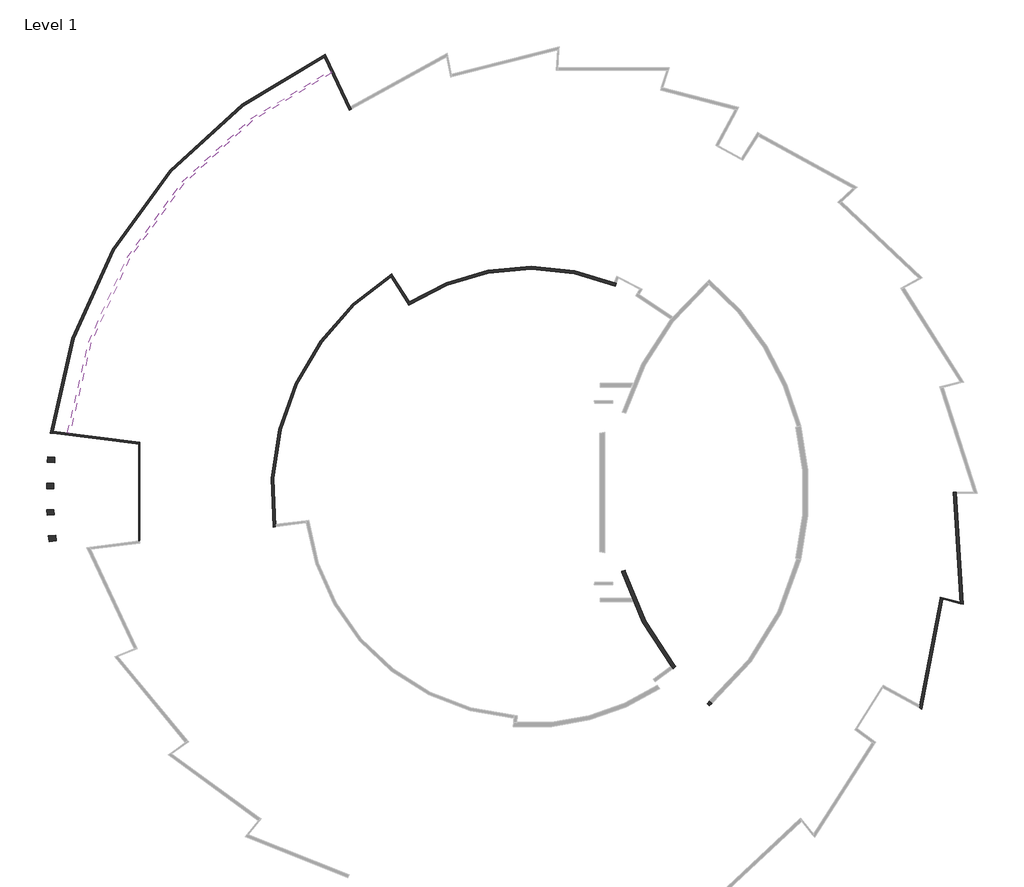
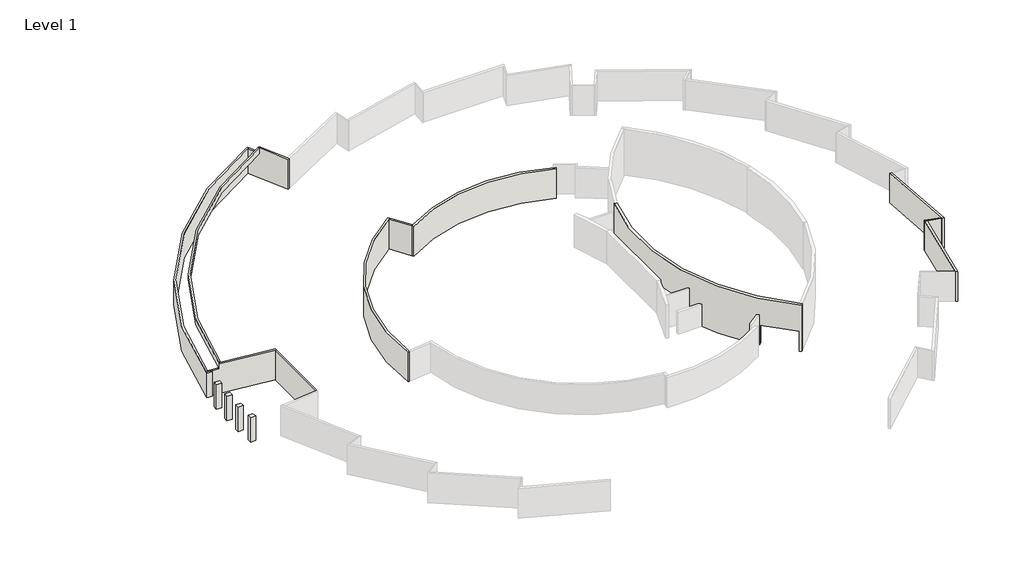
# One storey, part 2 of 3: 13 walls.
"""IFC4 building model written with IfcOpenShell, lengths in millimetres."""

from ifc_helpers import new_model, si_unit, point, frame, frame_2d, origin, origin_with_axes, place, context, project, spatial, polyline, circle_curve, trimmed, segment, composite_curve, outline, extrude, faceted_brep, element, save
from ifc_brep_helpers import plane_surface, cylinder_surface, revolved_surface, advanced_brep

model = new_model("IFC4")

# Units and contexts
model_context = context("Model", 3, world=origin())
ifc_project = project(units=[si_unit("LENGTHUNIT", "METRE", prefix="MILLI")], contexts=[model_context])

# Site, building, storey
site = spatial("IfcSite", under=ifc_project)
building = spatial("IfcBuilding", under=site)
storey = spatial("IfcBuildingStorey", under=building, Name="Level 1", Elevation=0.0)

# Walls
placement = place(None, origin())
element("IfcWall", 1, ObjectType="Generic - 10\"", at=placement, inside=storey, context=model_context, shape_type="Brep", body=[
    faceted_brep([(31453.636934, 676.9698053, 0.0), (32036.0740007, -8808.2604614, 0.0), (32042.618246, -8914.8362226, 0.0), (32042.618246, -8914.8362226, 3702.05), (32036.0740007, -8808.2604614, 3702.05), (31453.636934, 676.9698053, 3702.05), (31708.1153406, 676.9698053, 0.0), (31708.1153406, 676.9698053, 3702.05), (31714.3540512, 575.3698053, 3702.05), (32301.173035, -8981.2218092, 3702.05), (32301.173035, -8981.2218092, 0.0), (31714.3540512, 575.3698053, 0.0)], [[[0, 1, 2, 3, 4, 5]], [[6, 7, 8, 9, 10, 11]], [[2, 1, 0, 6, 11, 10]], [[3, 2, 10, 9]], [[0, 5, 7, 6]], [[5, 4, 3, 9, 8, 7]]]),
])
element("IfcWall", 2, ObjectType="Generic - 10\"", at=placement, inside=storey, context=model_context, shape_type="Brep", body=[
    faceted_brep([(30304.5253099, -8468.5698063, 0.0), (28539.0902169, -17648.2632894, 0.0), (28498.7588805, -17857.9732399, 0.0), (28498.7588805, -17857.9732399, 3702.05), (28539.0902169, -17648.2632894, 3702.05), (30304.5253099, -8468.5698063, 3702.05), (30551.0088094, -8531.8560125, 0.0), (30551.0088094, -8531.8560125, 3702.05), (28732.6812714, -17986.5731626, 3702.05), (28732.6812714, -17986.5731626, 0.0)], [[[0, 1, 2, 3, 4, 5]], [[6, 7, 8, 9]], [[2, 1, 0, 6, 9]], [[3, 2, 9, 8]], [[0, 5, 7, 6]], [[5, 4, 3, 8, 7]]]),
])
element("IfcWall", 3, ObjectType="Generic - 10\"", at=placement, inside=storey, context=model_context, shape_type="AdvancedBrep", body=[
    advanced_brep(
    [(-15356.1963488, 16740.4253872, 0.0), (-15493.2076756, 16954.3077822, 0.0), (-15322.0871906, 17063.9257943, 0.0), (2297.454615, 18697.2134818, 0.0), (2485.809319, 18620.9176911, 0.0), (2390.4474608, 18385.494883, 0.0), (2390.4474608, 18385.494883, 3702.05), (-15356.1963488, 16740.4253872, 3702.05), (-15493.2076756, 16954.3077822, 3702.05), (-15322.1040187, 17063.9153958, 3702.05), (2297.4736744, 18697.2061238, 3702.05), (2485.809319, 18620.9176911, 3702.05)],
    [
        (0, 1),
        (1, 2, circle_curve(frame((-4912.8763403, 626.1698053, 0.0), z_axis=(0.0, 0.0, -1.0), x_axis=(1.0, 0.0, 0.0)), 19456.4)),
        (2, 3, circle_curve(frame((-4912.8763403, 626.1698053, 0.0), z_axis=(0.0, 0.0, -1.0), x_axis=(1.0, 0.0, 0.0)), 19456.3997821)),
        (3, 4, circle_curve(frame((-4912.8763403, 626.1698053, 0.0), z_axis=(0.0, 0.0, -1.0), x_axis=(1.0, 0.0, 0.0)), 19456.3997709)),
        (4, 5),
        (5, 0, circle_curve(frame((-4912.8763403, 626.1698053, 0.0), z_axis=(0.0, 0.0, 1.0), x_axis=(1.0, 0.0, 0.0)), 19202.4)),
        (6, 7, circle_curve(frame((-4912.8763403, 626.1698053, 3702.05), z_axis=(0.0, 0.0, 1.0), x_axis=(1.0, 0.0, 0.0)), 19202.4)),
        (7, 0),
        (5, 6),
        (8, 9, circle_curve(frame((-4912.8763403, 626.1698053, 3702.05), z_axis=(0.0, 0.0, -1.0), x_axis=(1.0, 0.0, 0.0)), 19456.4)),
        (9, 10, circle_curve(frame((-4912.8763403, 626.1698053, 3702.05), z_axis=(0.0, 0.0, -1.0), x_axis=(1.0, 0.0, 0.0)), 19456.4)),
        (10, 11, circle_curve(frame((-4912.8763403, 626.1698053, 3702.05), z_axis=(0.0, 0.0, -1.0), x_axis=(1.0, 0.0, 0.0)), 19456.4)),
        (11, 4),
        (1, 8),
        (7, 8),
        (11, 6),
    ],
    [
        plane_surface(frame((14289.5236597, 626.1698053, 0.0), z_axis=(0.0, 0.0, -1.0), x_axis=(0.0, 1.0, 0.0))),
        revolved_surface(polyline([(14289.5236597, 626.1698053, 0.0), (14289.5236597, 626.1698053, 3702.05)]), (-4912.8763403, 626.1698053, 0.0), (0.0, 0.0, -1.0)),
        cylinder_surface(frame((-4912.8763403, 626.1698053, 0.0), z_axis=(0.0, 0.0, 1.0), x_axis=(1.0, 0.0, 0.0)), 19456.4),
        plane_surface(frame((-4998.4281164, 571.3660316, 0.0), z_axis=(-0.8420450404431973, -0.5394072208128237, 0.0), x_axis=(0.5394072208128237, -0.8420450404431973, 0.0))),
        plane_surface(frame((-4818.708518, 588.0255889, 0.0), z_axis=(0.926848644808108, -0.375435200290774, 0.0), x_axis=(0.375435200290774, 0.926848644808108, 0.0))),
        plane_surface(frame((-34574.7876747, -20861.6779878, 3702.05), z_axis=(0.0, 0.0, 1.0), x_axis=(1.0, 0.0, 0.0))),
    ],
    [
        (0, [[1, 2, 3, 4, 5, 6]]),
        (1, [[7, 8, -6, 9]]),
        (2, [[10, 11, 12, 13, -4, -3, -2, 14]]),
        (3, [[15, -14, -1, -8]]),
        (4, [[16, -9, -5, -13]]),
        (5, [[-7, -16, -12, -11, -10, -15]]),
    ],
),
])
element("IfcWall", 4, ObjectType="MASONRY WALL - 12-1/2\"", at=placement, inside=storey, context=model_context, shape_type="AdvancedBrep", body=[
    advanced_brep(
    [(10724.6561886, -17483.477752, 5759.45), (10479.5116245, -17275.5813098, 5759.45), (3267.9075836, 7442.143963, 5759.45), (2963.9267326, 7533.8057995, 5759.45), (10479.5236597, -17692.284837, 5759.45), (2963.9267326, 7533.8057995, 0.0), (3267.9075836, 7442.143963, 0.0), (3220.9127458, 7284.3040086, 0.0), (2916.2999041, 7373.843199, 0.0), (10724.6561886, -17483.477752, 0.0), (10479.5236597, -17692.284837, 0.0), (10284.314711, -17526.4665185, 0.0), (10491.1566556, -17285.5875864, 0.0), (2918.7451783, -6129.8168613, 0.0), (3223.3255721, -6040.1673567, 0.0), (7592.259778, -14315.4812033, 0.0), (7346.4332062, -14516.4178764, 0.0), (7329.58593, -14495.7833388, 0.0), (7170.095524, -14298.0848597, 0.0), (3862.652498, -8759.1238576, 0.0), (3729.9552406, -8441.6296538, 0.0), (10491.1566556, -17285.5875864, 2438.4), (7592.259778, -14315.4812033, 2438.4), (3223.3255721, -6040.1673567, 2137.1957406), (3220.9127458, 7284.3040086, 2137.1957406), (2916.2999041, 7373.843199, 2137.1957406), (2918.7451783, -6129.8168613, 2137.1957406), (7346.4332062, -14516.4178764, 2438.4), (10284.314711, -17526.4665185, 2438.4)],
    [
        (0, 1, circle_curve(frame((25871.9236597, 626.1698053, 5759.45), z_axis=(0.0, 0.0, -1.0), x_axis=(1.0, 0.0, 0.0)), 23609.3)),
        (1, 2, circle_curve(frame((25871.9236597, 626.1698053, 5759.45), z_axis=(0.0, 0.0, -1.0), x_axis=(1.0, 0.0, 0.0)), 23609.299889)),
        (2, 3),
        (3, 4, circle_curve(frame((25871.9236597, 626.1698053, 5759.45), z_axis=(0.0, 0.0, 1.0), x_axis=(1.0, 0.0, 0.0)), 23926.8)),
        (4, 0, circle_curve(frame((-4912.8763403, 626.1698053, 5759.45), z_axis=(0.0, 0.0, 1.0), x_axis=(1.0, 0.0, 0.0)), 23926.8)),
        (5, 6),
        (6, 7, circle_curve(frame((25871.9236597, 626.1698053, 0.0), z_axis=(0.0, 0.0, 1.0), x_axis=(1.0, 0.0, 0.0)), 23609.3)),
        (7, 8),
        (8, 5, circle_curve(frame((25871.9236597, 626.1698053, 0.0), z_axis=(0.0, 0.0, -1.0), x_axis=(1.0, 0.0, 0.0)), 23926.8)),
        (9, 10, circle_curve(frame((-4912.8763403, 626.1698053, 0.0), z_axis=(0.0, 0.0, -1.0), x_axis=(1.0, 0.0, 0.0)), 23926.8)),
        (10, 11, circle_curve(frame((25871.9236597, 626.1698053, 0.0), z_axis=(0.0, 0.0, -1.0), x_axis=(1.0, 0.0, 0.0)), 23926.8)),
        (11, 12),
        (12, 9, circle_curve(frame((25871.9236597, 626.1698053, 0.0), z_axis=(0.0, 0.0, 1.0), x_axis=(1.0, 0.0, 0.0)), 23609.3)),
        (13, 14),
        (14, 15, circle_curve(frame((25871.9236597, 626.1698053, 0.0), z_axis=(0.0, 0.0, 1.0), x_axis=(1.0, 0.0, 0.0)), 23609.3)),
        (15, 16),
        (16, 17, circle_curve(frame((25871.9236597, 626.1698053, 0.0), z_axis=(0.0, 0.0, -1.0), x_axis=(1.0, 0.0, 0.0)), 23926.8)),
        (17, 18, circle_curve(frame((25871.9236597, 626.1698053, 0.0), z_axis=(0.0, 0.0, -1.0), x_axis=(1.0, 0.0, 0.0)), 23926.7999402)),
        (18, 19, circle_curve(frame((25871.9236597, 626.1698053, 0.0), z_axis=(0.0, 0.0, -1.0), x_axis=(1.0, 0.0, 0.0)), 23926.7998889)),
        (19, 20, circle_curve(frame((25871.9236597, 626.1698053, 0.0), z_axis=(0.0, 0.0, -1.0), x_axis=(1.0, 0.0, 0.0)), 23926.7999158)),
        (20, 13, circle_curve(frame((25871.9236597, 626.1698053, 0.0), z_axis=(0.0, 0.0, -1.0), x_axis=(1.0, 0.0, 0.0)), 23926.7998801)),
        (0, 9),
        (12, 21),
        (21, 22, circle_curve(frame((25871.9236597, 626.1698053, 2438.4), z_axis=(0.0, 0.0, -1.0), x_axis=(1.0, 0.0, 0.0)), 23609.3)),
        (22, 15),
        (14, 23),
        (23, 24, circle_curve(frame((25871.9236597, 626.1698053, 2137.1957406), z_axis=(0.0, 0.0, -1.0), x_axis=(1.0, 0.0, 0.0)), 23609.3)),
        (24, 7),
        (6, 2),
        (5, 3),
        (8, 25),
        (25, 26, circle_curve(frame((25871.9236597, 626.1698053, 2137.1957406), z_axis=(0.0, 0.0, 1.0), x_axis=(1.0, 0.0, 0.0)), 23926.8)),
        (26, 13),
        (16, 27),
        (27, 28, circle_curve(frame((25871.9236597, 626.1698053, 2438.4), z_axis=(0.0, 0.0, 1.0), x_axis=(1.0, 0.0, 0.0)), 23926.8)),
        (28, 11),
        (10, 4),
        (25, 24),
        (23, 26),
        (27, 22),
        (21, 28),
    ],
    [
        plane_surface(frame((49481.2236597, 626.1698053, 5759.45), z_axis=(0.0, 0.0, 1.0), x_axis=(0.0, -1.0, 0.0))),
        plane_surface(frame((49481.2236597, 626.1698053, 0.0), z_axis=(0.0, 0.0, -1.0), x_axis=(0.0, 1.0, 0.0))),
        revolved_surface(polyline([(49481.2236597, 626.1698053, 0.0), (49481.2236597, 626.1698053, 5759.45)]), (25871.9236597, 626.1698053, 0.0), (0.0, 0.0, -1.0)),
        plane_surface(frame((3267.9075836, 7442.143963, 5759.45), z_axis=(0.2886986974535161, 0.9574200029708191, 0.0), x_axis=(0.0, 0.0, -1.0))),
        cylinder_surface(frame((25871.9236597, 626.1698053, 0.0), z_axis=(0.0, 0.0, 1.0), x_axis=(1.0, 0.0, 0.0)), 23926.8),
        plane_surface(frame((49481.2236597, 626.1698053, 2137.1957406), z_axis=(0.0, 0.0, -1.0), x_axis=(0.0, -1.0, 0.0))),
        plane_surface(frame((3220.9127458, 7284.3040086, 2137.1957406), z_axis=(-0.2820131983298808, -0.959410525253789, 0.0), x_axis=(0.0, 0.0, -1.0))),
        plane_surface(frame((2918.7451783, -6129.8168613, 2137.1957406), z_axis=(-0.2823606444031405, 0.9593083271254572, 0.0), x_axis=(0.0, 0.0, -1.0))),
        plane_surface(frame((49481.2236597, 626.1698053, 2438.4), z_axis=(0.0, 0.0, -1.0), x_axis=(0.0, -1.0, 0.0))),
        plane_surface(frame((7592.259778, -14315.4812033, 2438.4), z_axis=(0.6328714112046098, -0.7742569191682345, 0.0), x_axis=(0.0, 0.0, -1.0))),
        plane_surface(frame((10284.314711, -17526.4665185, 2438.4), z_axis=(-0.7586738019172928, 0.6514706918076673, 0.0), x_axis=(0.0, 0.0, -1.0))),
        cylinder_surface(frame((-4912.8763403, 626.1698053, 0.0), z_axis=(0.0, 0.0, 1.0), x_axis=(1.0, 0.0, 0.0)), 23926.8),
    ],
    [
        (0, [[1, 2, 3, 4, 5]]),
        (1, [[6, 7, 8, 9]]),
        (1, [[10, 11, 12, 13]]),
        (1, [[14, 15, 16, 17, 18, 19, 20, 21]]),
        (2, [[-2, -1, 22, -13, 23, 24, 25, -15, 26, 27, 28, -7, 29]]),
        (3, [[-3, -29, -6, 30]]),
        (4, [[-4, -30, -9, 31, 32, 33, -21, -20, -19, -18, -17, 34, 35, 36, -11, 37]]),
        (5, [[38, -27, 39, -32]]),
        (6, [[-38, -31, -8, -28]]),
        (7, [[-39, -26, -14, -33]]),
        (8, [[40, -24, 41, -35]]),
        (9, [[-40, -34, -16, -25]]),
        (10, [[-41, -23, -12, -36]]),
        (11, [[-5, -37, -10, -22]]),
    ],
),
])
element("IfcWall", 5, ObjectType="MASONRY WALL - 4\"", at=placement, inside=storey, context=model_context, shape_type="Brep", body=[
    faceted_brep([(30304.5253099, -8468.5698063, 0.0), (30551.0088094, -8531.8560125, 0.0), (32042.618246, -8914.8362226, 0.0), (32042.618246, -8914.8362226, 3702.05), (30551.0088094, -8531.8560125, 3702.05), (30304.5253099, -8468.5698063, 3702.05), (30323.7494924, -8368.6102529, 0.0), (30323.7494924, -8368.6102529, 3702.05), (32036.0740007, -8808.2604614, 3702.05), (32036.0740007, -8808.2604614, 0.0)], [[[0, 1, 2, 3, 4, 5]], [[6, 7, 8, 9]], [[2, 1, 0, 6, 9]], [[0, 5, 7, 6]], [[3, 2, 9, 8]], [[5, 4, 3, 8, 7]]]),
])
element("IfcWall", 6, ObjectType="MASONRY WALL - 4\"", at=placement, inside=storey, context=model_context, shape_type="SweptSolid", body=[
    extrude(outline(polyline([(-38501.6451844, 4767.0105823), (-38501.6451844, -3514.6709718), (-38603.2451844, -3527.5060366), (-38603.2451844, 4779.8456471), (-38501.6451844, 4767.0105823)])), origin_with_axes(), (0.0, 0.0, 1.0), 3702.05),
])
element("IfcWall", 7, ObjectType="MASONRY WALL - 8\"", at=placement, inside=storey, context=model_context, shape_type="SweptSolid", body=[
    extrude(outline(composite_curve([segment(polyline([(-16747.0193433, 19288.2882108), (-15322.1041234, 17063.9153295)]), True, "CONTINUOUS"), segment(trimmed(circle_curve(frame_2d((-4912.8763403, 626.1698053)), 19456.4), [point((-15322.1041234, 17063.9153295))], [point((-15493.2076756, 16954.3077822))], True, "CARTESIAN"), True, "CONTINUOUS"), segment(polyline([(-15493.2076756, 16954.3077822), (-16918.1228956, 19178.6806635)]), True, "CONTINUOUS"), segment(trimmed(circle_curve(frame_2d((-4912.8763403, 626.1698053)), 22098.0), [point((-16918.1228956, 19178.6806635))], [point((-16747.0193433, 19288.2882108))], False, "CARTESIAN"), True, "CONTINUOUS")], self_intersect=False)), origin_with_axes(), (0.0, 0.0, 1.0), 3702.05),
])
element("IfcWall", 8, ObjectType="MASONRY WALL - 8\"", at=placement, inside=storey, context=model_context, shape_type="AdvancedBrep", body=[
    advanced_brep(
    [(-46001.0193809, 5714.4018632, 3048.0), (-45975.549949, 5916.0119995, 3048.0), (-22632.8793266, 38044.4419235, 3048.0), (-22449.0070623, 38130.9658092, 3048.0), (-22535.5256736, 38314.8272172, 3048.0), (-46202.6176922, 5739.8696526, 3048.0), (-46001.0193809, 5714.4018632, 0.0), (-46202.6176922, 5739.8696526, 0.0), (-22535.5256736, 38314.8272172, 0.0), (-22449.0070623, 38130.9658092, 0.0), (-22632.8793266, 38044.4419235, 0.0), (-45975.549949, 5916.0119995, 0.0)],
    [
        (0, 1, circle_curve(frame((-4912.8763403, 626.1698053, 3048.0), z_axis=(0.0, 0.0, -1.0), x_axis=(1.0, 0.0, 0.0)), 41402.0)),
        (1, 2, circle_curve(frame((-4912.8763403, 626.1698053, 3048.0), z_axis=(0.0, 0.0, -1.0), x_axis=(1.0, 0.0, 0.0)), 41401.9998833)),
        (2, 3, circle_curve(frame((-4912.8763403, 626.1698053, 3048.0), z_axis=(0.0, 0.0, -1.0), x_axis=(1.0, 0.0, 0.0)), 41401.9998811)),
        (3, 4),
        (4, 5, circle_curve(frame((-4912.8763403, 626.1698053, 3048.0), z_axis=(0.0, 0.0, 1.0), x_axis=(1.0, 0.0, 0.0)), 41605.2)),
        (5, 0),
        (6, 7),
        (7, 8, circle_curve(frame((-4912.8763403, 626.1698053, 0.0), z_axis=(0.0, 0.0, -1.0), x_axis=(1.0, 0.0, 0.0)), 41605.2)),
        (8, 9),
        (9, 10, circle_curve(frame((-4912.8763403, 626.1698053, 0.0), z_axis=(0.0, 0.0, 1.0), x_axis=(1.0, 0.0, 0.0)), 41402.0)),
        (10, 11, circle_curve(frame((-4912.8763403, 626.1698053, 0.0), z_axis=(0.0, 0.0, 1.0), x_axis=(1.0, 0.0, 0.0)), 41401.9998811)),
        (11, 6, circle_curve(frame((-4912.8763403, 626.1698053, 0.0), z_axis=(0.0, 0.0, 1.0), x_axis=(1.0, 0.0, 0.0)), 41401.9998833)),
        (0, 6),
        (9, 3),
        (4, 8),
        (7, 5),
    ],
    [
        plane_surface(frame((36489.1236597, 626.1698053, 3048.0), z_axis=(0.0, 0.0, 1.0), x_axis=(0.0, -1.0, 0.0))),
        plane_surface(frame((36489.1236597, 626.1698053, 0.0), z_axis=(0.0, 0.0, -1.0), x_axis=(0.0, 1.0, 0.0))),
        revolved_surface(polyline([(36489.1236597, 626.1698053, 0.0), (36489.1236597, 626.1698053, 3048.0)]), (-4912.8763403, 626.1698053, 0.0), (0.0, 0.0, -1.0)),
        cylinder_surface(frame((-4912.8763403, 626.1698053, 0.0), z_axis=(0.0, 0.0, 1.0), x_axis=(1.0, 0.0, 0.0)), 41605.2),
        plane_surface(frame((-4820.9459117, 669.4289813, 0.0), z_axis=(0.9048270524660257, 0.4257792915650598, 0.0), x_axis=(-0.4257792915650598, 0.9048270524660257, 0.0))),
        plane_surface(frame((-4925.6101968, 525.3709516, 0.0), z_axis=(-0.12533323356431864, -0.9921147013144761, 0.0), x_axis=(0.9921147013144761, -0.12533323356431864, 0.0))),
    ],
    [
        (0, [[1, 2, 3, 4, 5, 6]]),
        (1, [[7, 8, 9, 10, 11, 12]]),
        (2, [[-3, -2, -1, 13, -12, -11, -10, 14]]),
        (3, [[-5, 15, -8, 16]]),
        (4, [[-4, -14, -9, -15]]),
        (5, [[-6, -16, -7, -13]]),
    ],
),
])
element("IfcWall", 9, ObjectType="MASONRY WALL - 8\"", at=placement, inside=storey, context=model_context, shape_type="AdvancedBrep", body=[
    advanced_brep(
    [(-27015.9266562, -2340.0884726, 0.0), (-16856.6280386, 19459.3935551, 0.0), (-16747.0193433, 19288.2882108, 0.0), (-16918.1228956, 19178.6806635, 0.0), (-26840.5206864, -2112.4445663, 0.0), (-26814.4089681, -2313.9785843, 0.0), (-26814.4089681, -2313.9785843, 3702.05), (-16747.0193433, 19288.2882108, 3702.05), (-16918.1228956, 19178.6806635, 3702.05), (-26840.5185829, -2112.4630067, 3702.05), (-27015.9266562, -2340.0884726, 3702.05), (-16856.6280386, 19459.3935551, 3702.05)],
    [
        (0, 1, circle_curve(frame((-4912.8763403, 626.1698053, 0.0), z_axis=(0.0, 0.0, -1.0), x_axis=(1.0, 0.0, 0.0)), 22301.2)),
        (1, 2),
        (2, 3, circle_curve(frame((-4912.8763403, 626.1698053, 0.0), z_axis=(0.0, 0.0, 1.0), x_axis=(1.0, 0.0, 0.0)), 22098.0)),
        (3, 4, circle_curve(frame((-4912.8763403, 626.1698053, 0.0), z_axis=(0.0, 0.0, 1.0), x_axis=(1.0, 0.0, 0.0)), 22098.0)),
        (4, 5, circle_curve(frame((-4912.8763403, 626.1698053, 0.0), z_axis=(0.0, 0.0, 1.0), x_axis=(1.0, 0.0, 0.0)), 22097.9998019)),
        (5, 0),
        (6, 5),
        (2, 7),
        (7, 8, circle_curve(frame((-4912.8763403, 626.1698053, 3702.05), z_axis=(0.0, 0.0, 1.0), x_axis=(1.0, 0.0, 0.0)), 22098.0)),
        (8, 9, circle_curve(frame((-4912.8763403, 626.1698053, 3702.05), z_axis=(0.0, 0.0, 1.0), x_axis=(1.0, 0.0, 0.0)), 22098.0)),
        (9, 6, circle_curve(frame((-4912.8763403, 626.1698053, 3702.05), z_axis=(0.0, 0.0, 1.0), x_axis=(1.0, 0.0, 0.0)), 22098.0)),
        (10, 11, circle_curve(frame((-4912.8763403, 626.1698053, 3702.05), z_axis=(0.0, 0.0, -1.0), x_axis=(1.0, 0.0, 0.0)), 22301.2)),
        (11, 1),
        (0, 10),
        (6, 10),
        (11, 7),
    ],
    [
        plane_surface(frame((17185.1236597, 626.1698053, 0.0), z_axis=(0.0, 0.0, -1.0), x_axis=(0.0, 1.0, 0.0))),
        revolved_surface(polyline([(17185.1236597, 626.1698053, 0.0), (17185.1236597, 626.1698053, 3702.05)]), (-4912.8763403, 626.1698053, 0.0), (0.0, 0.0, -1.0)),
        cylinder_surface(frame((-4912.8763403, 626.1698053, 0.0), z_axis=(0.0, 0.0, 1.0), x_axis=(1.0, 0.0, 0.0)), 22301.2),
        plane_surface(frame((-4899.8215329, 525.4120165, 0.0), z_axis=(0.12849219893243696, -0.9917105196646384, 0.0), x_axis=(0.9917105196646384, 0.12849219893243696, 0.0))),
        plane_surface(frame((-4827.3245642, 680.9735789, 0.0), z_axis=(0.8420450404431973, 0.5394072208128237, 0.0), x_axis=(-0.5394072208128237, 0.8420450404431973, 0.0))),
        plane_surface(frame((-34574.7876747, -20861.6779878, 3702.05), z_axis=(0.0, 0.0, 1.0), x_axis=(1.0, 0.0, 0.0))),
    ],
    [
        (0, [[1, 2, 3, 4, 5, 6]]),
        (1, [[7, -5, -4, -3, 8, 9, 10, 11]]),
        (2, [[12, 13, -1, 14]]),
        (3, [[15, -14, -6, -7]]),
        (4, [[16, -8, -2, -13]]),
        (5, [[-12, -15, -11, -10, -9, -16]]),
    ],
),
])
element("IfcWall", 10, ObjectType="MASONRY WALL - 8\"", at=placement, inside=storey, context=model_context, shape_type="AdvancedBrep", body=[
    advanced_brep(
    [(-38501.6451844, 4971.8256099, 0.0), (-45975.5516678, 5915.9995706, 0.0), (-45975.5516678, 5915.9995706, 3048.0), (-44715.5620832, 5756.8258695, 3048.0), (-44715.5620832, 5756.8258695, 3702.05), (-38501.6451844, 4971.8256099, 3702.05), (-38501.6451844, 4767.0105823, 0.0), (-38501.6451844, 4767.0105823, 3702.05), (-38603.2451844, 4779.8456471, 3702.05), (-44741.0297963, 5555.2281622, 3702.05), (-44741.0297963, 5555.2281622, 3048.0), (-45597.8227402, 5663.4662822, 3048.0), (-46001.0193809, 5714.4018632, 3048.0), (-46001.0193809, 5714.4018632, 0.0), (-45597.8227402, 5663.4662822, 0.0), (-38603.2451844, 4779.8456471, 0.0)],
    [
        (0, 1),
        (1, 2),
        (2, 3),
        (3, 4),
        (4, 5),
        (5, 0),
        (6, 7),
        (7, 8),
        (8, 9),
        (9, 10),
        (10, 11),
        (11, 12),
        (12, 13),
        (13, 14),
        (14, 15),
        (15, 6),
        (0, 6),
        (13, 1, circle_curve(frame((-4912.8763403, 626.1698053, 0.0), z_axis=(0.0, 0.0, -1.0), x_axis=(1.0, 0.0, 0.0)), 41402.0)),
        (5, 7),
        (12, 2, circle_curve(frame((-4912.8763403, 626.1698053, 3048.0), z_axis=(0.0, 0.0, -1.0), x_axis=(1.0, 0.0, 0.0)), 41402.0)),
        (9, 4, circle_curve(frame((-4912.8763403, 626.1698053, 3702.05), z_axis=(0.0, 0.0, -1.0), x_axis=(1.0, 0.0, 0.0)), 40132.0)),
        (3, 10, circle_curve(frame((-4912.8763403, 626.1698053, 3048.0), z_axis=(0.0, 0.0, 1.0), x_axis=(1.0, 0.0, 0.0)), 40132.0)),
    ],
    [
        plane_surface(frame((-4900.1424837, 726.9686589, 0.0), z_axis=(0.12533323356431864, 0.9921147013144761, 0.0), x_axis=(-0.9921147013144761, 0.12533323356431864, 0.0))),
        plane_surface(frame((-4925.6101968, 525.3709516, 0.0), z_axis=(-0.12533323356431864, -0.9921147013144761, 0.0), x_axis=(0.9921147013144761, -0.12533323356431864, 0.0))),
        plane_surface(frame((-38539.7113279, 4976.6344822, 0.0), z_axis=(0.0, 0.0, -1.0000000000000002), x_axis=(-0.12533323356431972, -0.992114701314476, 0.0))),
        plane_surface(frame((-38501.6451844, -3521.0885042, 0.0), z_axis=(1.0, 0.0, 0.0), x_axis=(0.0, 1.0, 0.0))),
        cylinder_surface(frame((-4912.8763403, 626.1698053, 0.0), z_axis=(0.0, 0.0, -1.0), x_axis=(1.0, 0.0, 0.0)), 41402.0),
        cylinder_surface(frame((-4912.8763403, 626.1698053, 3702.05), z_axis=(0.0, 0.0, 1.0), x_axis=(1.0, 0.0, 0.0)), 40132.0),
        plane_surface(frame((-34574.7876747, -20861.6779878, 3702.05), z_axis=(0.0, 0.0, 1.0), x_axis=(1.0, 0.0, 0.0))),
        plane_surface(frame((-4912.8763403, 626.1698053, 3048.0), z_axis=(0.0, 0.0, 1.0), x_axis=(1.0, 0.0, 0.0))),
    ],
    [
        (0, [[1, 2, 3, 4, 5, 6]]),
        (1, [[7, 8, 9, 10, 11, 12, 13, 14, 15, 16]]),
        (2, [[-1, 17, -16, -15, -14, 18]]),
        (3, [[-6, 19, -7, -17]]),
        (4, [[-2, -18, -13, 20]]),
        (5, [[21, -4, 22, -10]]),
        (6, [[-5, -21, -9, -8, -19]]),
        (7, [[-3, -20, -12, -11, -22]]),
    ],
),
])
element("IfcWall", 11, ObjectType="MASONRY WALL - 8\"", at=placement, inside=storey, context=model_context, shape_type="AdvancedBrep", body=[
    advanced_brep(
    [(-20309.038641, 33583.3014268, 0.0), (-20417.3902767, 33813.5603734, 0.0), (-22449.0070623, 38130.9658092, 0.0), (-22449.0070623, 38130.9658092, 3048.0), (-21908.2656823, 36981.831883, 3048.0), (-21908.2656823, 36981.831883, 3702.05), (-20417.3902767, 33813.5603734, 3702.05), (-20309.038641, 33583.3014268, 3702.05), (-20487.5868706, 33485.4931667, 0.0), (-20487.5868706, 33485.4931667, 3702.05), (-22092.1265394, 36895.313531, 3702.05), (-22092.1265394, 36895.313531, 3048.0), (-22632.8679194, 38044.4474572, 3048.0), (-22632.8679194, 38044.4474572, 0.0)],
    [
        (0, 1),
        (1, 2),
        (2, 3),
        (3, 4),
        (4, 5),
        (5, 6),
        (6, 7),
        (7, 0),
        (8, 9),
        (9, 10),
        (10, 11),
        (11, 12),
        (12, 13),
        (13, 8),
        (0, 8),
        (13, 2, circle_curve(frame((-4912.8763403, 626.1698053, 0.0), z_axis=(0.0, 0.0, -1.0), x_axis=(1.0, 0.0, 0.0)), 41402.0)),
        (7, 9),
        (12, 3, circle_curve(frame((-4912.8763403, 626.1698053, 3048.0), z_axis=(0.0, 0.0, -1.0), x_axis=(1.0, 0.0, 0.0)), 41402.0)),
        (10, 5, circle_curve(frame((-4912.8763403, 626.1698053, 3702.05), z_axis=(0.0, 0.0, -1.0), x_axis=(1.0, 0.0, 0.0)), 40132.0)),
        (4, 11, circle_curve(frame((-4912.8763403, 626.1698053, 3048.0), z_axis=(0.0, 0.0, 1.0), x_axis=(1.0, 0.0, 0.0)), 40132.0)),
    ],
    [
        plane_surface(frame((-4820.9459117, 669.4289813, 0.0), z_axis=(0.9048270524660257, 0.4257792915650598, 0.0), x_axis=(-0.4257792915650598, 0.9048270524660257, 0.0))),
        plane_surface(frame((-5004.8067688, 582.9106292, 0.0), z_axis=(-0.9048270524660257, -0.4257792915650598, 0.0), x_axis=(0.4257792915650598, -0.9048270524660257, 0.0))),
        plane_surface(frame((-20360.5581451, 33692.7859461, 0.0), z_axis=(0.0, 0.0, -1.0), x_axis=(-0.9048270524660292, -0.425779291565052, 0.0))),
        plane_surface(frame((-20353.6756984, 33558.8493618, 0.0), z_axis=(0.48043496829948745, -0.8770303536566283, 0.0), x_axis=(0.8770303536566283, 0.48043496829948745, 0.0))),
        cylinder_surface(frame((-4912.8763403, 626.1698053, 0.0), z_axis=(0.0, 0.0, -1.0), x_axis=(1.0, 0.0, 0.0)), 41402.0),
        cylinder_surface(frame((-4912.8763403, 626.1698053, 3702.05), z_axis=(0.0, 0.0, 1.0), x_axis=(1.0, 0.0, 0.0)), 40132.0),
        plane_surface(frame((-34574.7876747, -20861.6779878, 3702.05), z_axis=(0.0, 0.0, 1.0), x_axis=(1.0, 0.0, 0.0))),
        plane_surface(frame((-4912.8763403, 626.1698053, 3048.0), z_axis=(0.0, 0.0, 1.0), x_axis=(1.0, 0.0, 0.0))),
    ],
    [
        (0, [[1, 2, 3, 4, 5, 6, 7, 8]]),
        (1, [[9, 10, 11, 12, 13, 14]]),
        (2, [[-2, -1, 15, -14, 16]]),
        (3, [[-8, 17, -9, -15]]),
        (4, [[-3, -16, -13, 18]]),
        (5, [[19, -5, 20, -11]]),
        (6, [[-7, -6, -19, -10, -17]]),
        (7, [[-4, -18, -12, -20]]),
    ],
),
])
element("IfcWall", 12, ObjectType="MASONRY WALL - 8\"", at=placement, inside=storey, context=model_context, shape_type="AdvancedBrep", body=[
    advanced_brep(
    [(-22092.1265394, 36895.313531, 3733.8), (-44715.5620832, 5756.8258695, 3733.8), (-44513.9637266, 5731.3580744, 3733.8), (-22005.6079086, 36711.4520817, 3733.8), (-22092.1265394, 36895.313531, 3048.0), (-22005.6079086, 36711.4520817, 3048.0), (-44513.9637266, 5731.3580744, 3048.0), (-44715.5620832, 5756.8258695, 3048.0), (-22092.1265394, 36895.313531, 3702.05), (-44715.5620832, 5756.8258695, 3702.05)],
    [
        (0, 1, circle_curve(frame((-4912.8763403, 626.1698053, 3733.8), z_axis=(0.0, 0.0, 1.0), x_axis=(1.0, 0.0, 0.0)), 40132.0)),
        (1, 2),
        (2, 3, circle_curve(frame((-4912.8763403, 626.1698053, 3733.8), z_axis=(0.0, 0.0, -1.0), x_axis=(1.0, 0.0, 0.0)), 39928.8)),
        (3, 0),
        (4, 5),
        (5, 6, circle_curve(frame((-4912.8763403, 626.1698053, 3048.0), z_axis=(0.0, 0.0, 1.0), x_axis=(1.0, 0.0, 0.0)), 39928.8)),
        (6, 7),
        (7, 4, circle_curve(frame((-4912.8763403, 626.1698053, 3048.0), z_axis=(0.0, 0.0, -1.0), x_axis=(1.0, 0.0, 0.0)), 40132.0)),
        (0, 8),
        (8, 4),
        (7, 9),
        (9, 1),
        (2, 6),
        (5, 3),
    ],
    [
        plane_surface(frame((35219.1236597, 626.1698053, 3733.8), z_axis=(0.0, 0.0, 1.0), x_axis=(0.0, 1.0, 0.0))),
        plane_surface(frame((35219.1236597, 626.1698053, 3048.0), z_axis=(0.0, 0.0, -1.0), x_axis=(0.0, -1.0, 0.0))),
        cylinder_surface(frame((-4912.8763403, 626.1698053, 3048.0), z_axis=(0.0, 0.0, 1.0), x_axis=(1.0, 0.0, 0.0)), 40132.0),
        revolved_surface(polyline([(35015.923659700005, 626.1698053, 3048.0), (35015.923659700005, 626.1698053, 3733.8)]), (-4912.8763403, 626.1698053, 3048.0), (0.0, 0.0, -1.0)),
        plane_surface(frame((-4900.1424837, 726.9686589, 0.0), z_axis=(-0.12533323356431864, -0.9921147013144761, 0.0), x_axis=(-0.9921147013144761, 0.12533323356431864, 0.0))),
        plane_surface(frame((-5004.8067688, 582.9106292, 0.0), z_axis=(0.9048270524660257, 0.4257792915650598, 0.0), x_axis=(0.4257792915650598, -0.9048270524660257, 0.0))),
    ],
    [
        (0, [[1, 2, 3, 4]]),
        (1, [[5, 6, 7, 8]]),
        (2, [[-1, 9, 10, -8, 11, 12]]),
        (3, [[-3, 13, -6, 14]]),
        (4, [[-2, -12, -11, -7, -13]]),
        (5, [[-4, -14, -5, -10, -9]]),
    ],
),
])
element("IfcWall", 13, ObjectType="MASONRY WALL - large", at=placement, inside=storey, context=model_context, shape_type="AdvancedBrep", body=[
    advanced_brep(
    [(-46305.2207355, -3576.9828813, 3048.0), (-45698.7394989, -3515.3982266, 3048.0), (-45743.7845853, -3044.8179698, 3048.0), (-46350.9356373, -3099.4051486, 3048.0), (-45698.7394989, -3515.3982266, 0.0), (-46305.2207355, -3576.9828813, 0.0), (-46350.9356373, -3099.4051486, 0.0), (-45743.7845853, -3044.8179698, 0.0)],
    [
        (0, 1),
        (1, 2, circle_curve(frame((-4912.8763403, 626.1698053, 3048.0), z_axis=(0.0, 0.0, -1.0), x_axis=(1.0, 0.0, 0.0)), 40995.6)),
        (2, 3),
        (3, 0, circle_curve(frame((-4912.8763403, 626.1698053, 3048.0), z_axis=(0.0, 0.0, 1.0), x_axis=(1.0, 0.0, 0.0)), 41605.2)),
        (4, 5),
        (5, 6, circle_curve(frame((-4912.8763403, 626.1698053, 0.0), z_axis=(0.0, 0.0, -1.0), x_axis=(1.0, 0.0, 0.0)), 41605.2)),
        (6, 7),
        (7, 4, circle_curve(frame((-4912.8763403, 626.1698053, 0.0), z_axis=(0.0, 0.0, 1.0), x_axis=(1.0, 0.0, 0.0)), 40995.6)),
        (1, 4),
        (7, 2),
        (5, 0),
        (3, 6),
    ],
    [
        plane_surface(frame((36082.7236597, 626.1698053, 3048.0), z_axis=(0.0, 0.0, 1.0), x_axis=(0.0, -1.0, 0.0))),
        plane_surface(frame((36082.7236597, 626.1698053, 0.0), z_axis=(0.0, 0.0, -1.0), x_axis=(0.0, 1.0, 0.0))),
        revolved_surface(polyline([(36082.7236597, 626.1698053, 0.0), (36082.7236597, 626.1698053, 3048.0)]), (-4912.8763403, 626.1698053, 0.0), (0.0, 0.0, -1.0)),
        cylinder_surface(frame((-4912.8763403, 626.1698053, 0.0), z_axis=(0.0, 0.0, 1.0), x_axis=(1.0, 0.0, 0.0)), 41605.2),
        plane_surface(frame((-46305.2207355, -3576.9828813, 3048.0), z_axis=(0.10102469610971355, -0.9948839182416912, 0.0), x_axis=(0.0, 0.0, -1.0))),
        plane_surface(frame((-46350.9356373, -3099.4051486, 3048.0), z_axis=(-0.08954589699982868, 0.9959826968027587, 0.0), x_axis=(0.0, 0.0, -1.0))),
    ],
    [
        (0, [[1, 2, 3, 4]]),
        (1, [[5, 6, 7, 8]]),
        (2, [[9, -8, 10, -2]]),
        (3, [[11, -4, 12, -6]]),
        (4, [[-1, -11, -5, -9]]),
        (5, [[-3, -10, -7, -12]]),
    ],
),
    advanced_brep(
    [(-45623.8965512, 5448.2080405, 3048.0), (-45597.8227402, 5663.4662822, 3048.0), (-46001.0193809, 5714.4018632, 3048.0), (-46202.6176922, 5739.8696526, 3048.0), (-46229.2648815, 5519.9112113, 3048.0), (-46229.2648815, 5519.9112113, 0.0), (-46202.6176922, 5739.8696526, 0.0), (-46001.0193809, 5714.4018632, 0.0), (-45597.8227402, 5663.4662822, 0.0), (-45623.8965512, 5448.2080405, 0.0)],
    [
        (0, 1, circle_curve(frame((-4912.8763403, 626.1698053, 3048.0), z_axis=(0.0, 0.0, -1.0), x_axis=(1.0, 0.0, 0.0)), 40995.6)),
        (1, 2),
        (2, 3),
        (3, 4, circle_curve(frame((-4912.8763403, 626.1698053, 3048.0), z_axis=(0.0, 0.0, 1.0), x_axis=(1.0, 0.0, 0.0)), 41605.2)),
        (4, 0),
        (5, 6, circle_curve(frame((-4912.8763403, 626.1698053, 0.0), z_axis=(0.0, 0.0, -1.0), x_axis=(1.0, 0.0, 0.0)), 41605.2)),
        (6, 7),
        (7, 8),
        (8, 9, circle_curve(frame((-4912.8763403, 626.1698053, 0.0), z_axis=(0.0, 0.0, 1.0), x_axis=(1.0, 0.0, 0.0)), 40995.6)),
        (9, 5),
        (0, 9),
        (8, 1),
        (3, 6),
        (5, 4),
    ],
    [
        plane_surface(frame((36082.7236597, 626.1698053, 3048.0), z_axis=(0.0, 0.0, 1.0), x_axis=(0.0, -1.0, 0.0))),
        plane_surface(frame((36082.7236597, 626.1698053, 0.0), z_axis=(0.0, 0.0, -1.0), x_axis=(0.0, 1.0, 0.0))),
        revolved_surface(polyline([(36082.7236597, 626.1698053, 0.0), (36082.7236597, 626.1698053, 3048.0)]), (-4912.8763403, 626.1698053, 0.0), (0.0, 0.0, -1.0)),
        cylinder_surface(frame((-4912.8763403, 626.1698053, 0.0), z_axis=(0.0, 0.0, 1.0), x_axis=(1.0, 0.0, 0.0)), 41605.2),
        plane_surface(frame((-45623.8965512, 5448.2080405, 3048.0), z_axis=(-0.11762331165379122, -0.9930582845712507, 0.0), x_axis=(0.0, 0.0, -1.0))),
        plane_surface(frame((-4925.6101968, 525.3709516, 0.0), z_axis=(0.12533323356431864, 0.9921147013144761, 0.0), x_axis=(0.9921147013144761, -0.12533323356431864, 0.0))),
    ],
    [
        (0, [[1, 2, 3, 4, 5]]),
        (1, [[6, 7, 8, 9, 10]]),
        (2, [[-1, 11, -9, 12]]),
        (3, [[-4, 13, -6, 14]]),
        (4, [[-5, -14, -10, -11]]),
        (5, [[-12, -8, -7, -13, -3, -2]]),
    ],
),
    advanced_brep(
    [(-45794.0775023, 3686.6617441, 3048.0), (-46401.9764044, 3732.170918, 3048.0), (-46436.5147257, 3230.0365981, 3048.0), (-45828.1097677, 3191.8847037, 3048.0), (-46401.9764044, 3732.170918, 0.0), (-45794.0775023, 3686.6617441, 0.0), (-45828.1097677, 3191.8847037, 0.0), (-46436.5147257, 3230.0365981, 0.0)],
    [
        (0, 1),
        (1, 2, circle_curve(frame((-4912.8763403, 626.1698053, 3048.0), z_axis=(0.0, 0.0, 1.0), x_axis=(1.0, 0.0, 0.0)), 41605.2)),
        (2, 3),
        (3, 0, circle_curve(frame((-4912.8763403, 626.1698053, 3048.0), z_axis=(0.0, 0.0, -1.0), x_axis=(1.0, 0.0, 0.0)), 40995.6)),
        (4, 5),
        (5, 6, circle_curve(frame((-4912.8763403, 626.1698053, 0.0), z_axis=(0.0, 0.0, 1.0), x_axis=(1.0, 0.0, 0.0)), 40995.6)),
        (6, 7),
        (7, 4, circle_curve(frame((-4912.8763403, 626.1698053, 0.0), z_axis=(0.0, 0.0, -1.0), x_axis=(1.0, 0.0, 0.0)), 41605.2)),
        (5, 0),
        (3, 6),
        (1, 4),
        (7, 2),
    ],
    [
        plane_surface(frame((36082.7236597, 626.1698053, 3048.0), z_axis=(0.0, 0.0, 1.0), x_axis=(0.0, -1.0, 0.0))),
        plane_surface(frame((36082.7236597, 626.1698053, 0.0), z_axis=(0.0, 0.0, -1.0), x_axis=(0.0, 1.0, 0.0))),
        revolved_surface(polyline([(36082.7236597, 626.1698053, 0.0), (36082.7236597, 626.1698053, 3048.0)]), (-4912.8763403, 626.1698053, 0.0), (0.0, 0.0, -1.0)),
        cylinder_surface(frame((-4912.8763403, 626.1698053, 0.0), z_axis=(0.0, 0.0, 1.0), x_axis=(1.0, 0.0, 0.0)), 41605.2),
        plane_surface(frame((-46401.9764044, 3732.170918, 3048.0), z_axis=(0.07465415651697822, 0.9972094849703038, 0.0), x_axis=(0.0, 0.0, -1.0))),
        plane_surface(frame((-45828.1097677, 3191.8847037, 3048.0), z_axis=(-0.06258512861136886, -0.9980396293117315, 0.0), x_axis=(0.0, 0.0, -1.0))),
    ],
    [
        (0, [[1, 2, 3, 4]]),
        (1, [[5, 6, 7, 8]]),
        (2, [[9, -4, 10, -6]]),
        (3, [[11, -8, 12, -2]]),
        (4, [[-1, -9, -5, -11]]),
        (5, [[-3, -12, -7, -10]]),
    ],
),
    advanced_brep(
    [(-45900.7976142, 1419.5984403, 3048.0), (-46510.2834324, 1431.3966356, 3048.0), (-46516.8467567, 946.0332652, 3048.0), (-45907.2647725, 941.3466211, 3048.0), (-46510.2834324, 1431.3966356, 0.0), (-45900.7976142, 1419.5984403, 0.0), (-45907.2647725, 941.3466211, 0.0), (-46516.8467567, 946.0332652, 0.0)],
    [
        (0, 1),
        (1, 2, circle_curve(frame((-4912.8763403, 626.1698053, 3048.0), z_axis=(0.0, 0.0, 1.0), x_axis=(1.0, 0.0, 0.0)), 41605.2)),
        (2, 3),
        (3, 0, circle_curve(frame((-4912.8763403, 626.1698053, 3048.0), z_axis=(0.0, 0.0, -1.0), x_axis=(1.0, 0.0, 0.0)), 40995.6)),
        (4, 5),
        (5, 6, circle_curve(frame((-4912.8763403, 626.1698053, 0.0), z_axis=(0.0, 0.0, 1.0), x_axis=(1.0, 0.0, 0.0)), 40995.6)),
        (6, 7),
        (7, 4, circle_curve(frame((-4912.8763403, 626.1698053, 0.0), z_axis=(0.0, 0.0, -1.0), x_axis=(1.0, 0.0, 0.0)), 41605.2)),
        (5, 0),
        (3, 6),
        (1, 4),
        (7, 2),
    ],
    [
        plane_surface(frame((36082.7236597, 626.1698053, 3048.0), z_axis=(0.0, 0.0, 1.0), x_axis=(0.0, -1.0, 0.0))),
        plane_surface(frame((36082.7236597, 626.1698053, 0.0), z_axis=(0.0, 0.0, -1.0), x_axis=(0.0, 1.0, 0.0))),
        revolved_surface(polyline([(36082.7236597, 626.1698053, 0.0), (36082.7236597, 626.1698053, 3048.0)]), (-4912.8763403, 626.1698053, 0.0), (0.0, 0.0, -1.0)),
        cylinder_surface(frame((-4912.8763403, 626.1698053, 0.0), z_axis=(0.0, 0.0, 1.0), x_axis=(1.0, 0.0, 0.0)), 41605.2),
        plane_surface(frame((-46510.2834324, 1431.3966356, 3048.0), z_axis=(0.0193539949425552, 0.9998126938980939, 0.0), x_axis=(0.0, 0.0, -1.0))),
        plane_surface(frame((-45907.2647725, 941.3466211, 3048.0), z_axis=(-0.007688064472397815, -0.9999704463956264, 0.0), x_axis=(0.0, 0.0, -1.0))),
    ],
    [
        (0, [[1, 2, 3, 4]]),
        (1, [[5, 6, 7, 8]]),
        (2, [[9, -4, 10, -6]]),
        (3, [[11, -8, 12, -2]]),
        (4, [[-1, -9, -5, -11]]),
        (5, [[-3, -12, -7, -10]]),
    ],
),
    advanced_brep(
    [(-45882.7364935, -826.3378133, 3048.0), (-46491.9537449, -847.9364396, 3048.0), (-46472.7546467, -1315.2683724, 3048.0), (-45863.8187008, -1286.8223918, 3048.0), (-46491.9537449, -847.9364396, 0.0), (-45882.7364935, -826.3378133, 0.0), (-45863.8187008, -1286.8223918, 0.0), (-46472.7546467, -1315.2683724, 0.0)],
    [
        (0, 1),
        (1, 2, circle_curve(frame((-4912.8763403, 626.1698053, 3048.0), z_axis=(0.0, 0.0, 1.0), x_axis=(1.0, 0.0, 0.0)), 41605.2)),
        (2, 3),
        (3, 0, circle_curve(frame((-4912.8763403, 626.1698053, 3048.0), z_axis=(0.0, 0.0, -1.0), x_axis=(1.0, 0.0, 0.0)), 40995.6)),
        (4, 5),
        (5, 6, circle_curve(frame((-4912.8763403, 626.1698053, 0.0), z_axis=(0.0, 0.0, 1.0), x_axis=(1.0, 0.0, 0.0)), 40995.6)),
        (6, 7),
        (7, 4, circle_curve(frame((-4912.8763403, 626.1698053, 0.0), z_axis=(0.0, 0.0, -1.0), x_axis=(1.0, 0.0, 0.0)), 41605.2)),
        (5, 0),
        (3, 6),
        (1, 4),
        (7, 2),
    ],
    [
        plane_surface(frame((36082.7236597, 626.1698053, 3048.0), z_axis=(0.0, 0.0, 1.0), x_axis=(0.0, -1.0, 0.0))),
        plane_surface(frame((36082.7236597, 626.1698053, 0.0), z_axis=(0.0, 0.0, -1.0), x_axis=(0.0, 1.0, 0.0))),
        revolved_surface(polyline([(36082.7236597, 626.1698053, 0.0), (36082.7236597, 626.1698053, 3048.0)]), (-4912.8763403, 626.1698053, 0.0), (0.0, 0.0, -1.0)),
        cylinder_surface(frame((-4912.8763403, 626.1698053, 0.0), z_axis=(0.0, 0.0, 1.0), x_axis=(1.0, 0.0, 0.0)), 41605.2),
        plane_surface(frame((-46491.9537449, -847.9364396, 3048.0), z_axis=(-0.03543081741751099, 0.9993721314791237, 0.0), x_axis=(0.0, 0.0, -1.0))),
        plane_surface(frame((-45863.8187008, -1286.8223918, 3048.0), z_axis=(0.046663354043455355, -0.9989106723773729, 0.0), x_axis=(0.0, 0.0, -1.0))),
    ],
    [
        (0, [[1, 2, 3, 4]]),
        (1, [[5, 6, 7, 8]]),
        (2, [[9, -4, 10, -6]]),
        (3, [[11, -8, 12, -2]]),
        (4, [[-1, -9, -5, -11]]),
        (5, [[-3, -12, -7, -10]]),
    ],
),
])

save(model, "model.ifc")
